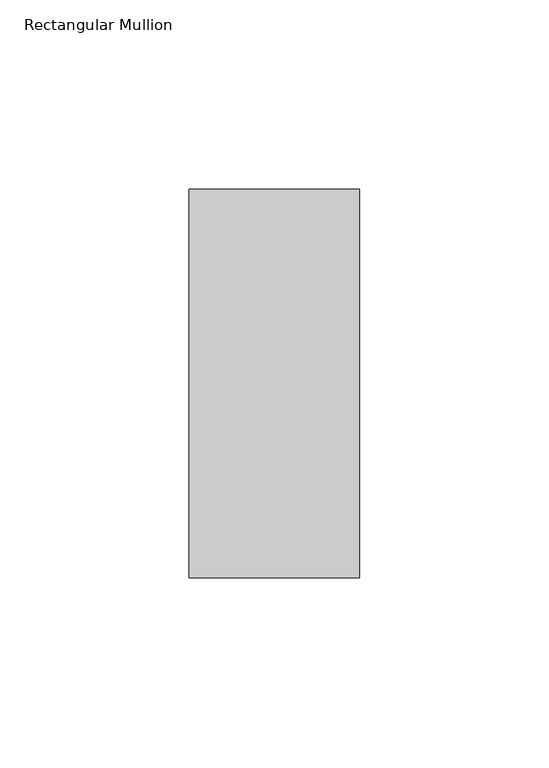
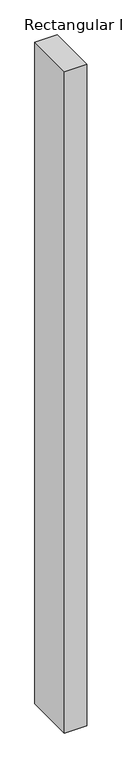
"""IFC4 building model written with IfcOpenShell, lengths in millimetres: member geometry, Rectangular Mullion."""

from ifc_helpers import new_model, si_unit, frame, origin, place, context, project, spatial, polyline, outline, extrude, source, transform, mapped, element, save


def rectangular_mullion_ff7cb0ef(model_context):
    return source(origin(), model_context, "Body", "SweptSolid", [
        extrude(outline(polyline([(-45.0, 66.73125), (0.0, 66.73125), (0.0, -35.73125), (-45.0, -35.73125), (-45.0, 66.73125)])), frame((0.0, 0.0, -1398.2316406), z_axis=(0.0, 0.0, 1.0), x_axis=(1.0, 0.0, 0.0)), (0.0, 0.0, 1.0), 1398.2316406),
    ])


if __name__ == "__main__":
    model = new_model("IFC4")
    model_context = context("Model", 3, world=origin())
    ifc_project = project(units=[si_unit("LENGTHUNIT", "METRE", prefix="MILLI")], contexts=[model_context])
    site = spatial("IfcSite", under=ifc_project)
    building = spatial("IfcBuilding", under=site)
    placement = place(None, origin())
    rectangular_mullion_shape = rectangular_mullion_ff7cb0ef(model_context)
    element("IfcMember", 1, ObjectType="Rectangular Mullion", at=placement, inside=building, context=model_context, shape_type="MappedRepresentation", body=[
        mapped(rectangular_mullion_shape, transform((0.0, 0.0, 0.0), x_axis=(1.0, 0.0, 0.0), y_axis=(0.0, 1.0, 0.0), z_axis=(0.0, 0.0, 1.0))),
    ])
    save(model, "model.ifc")
